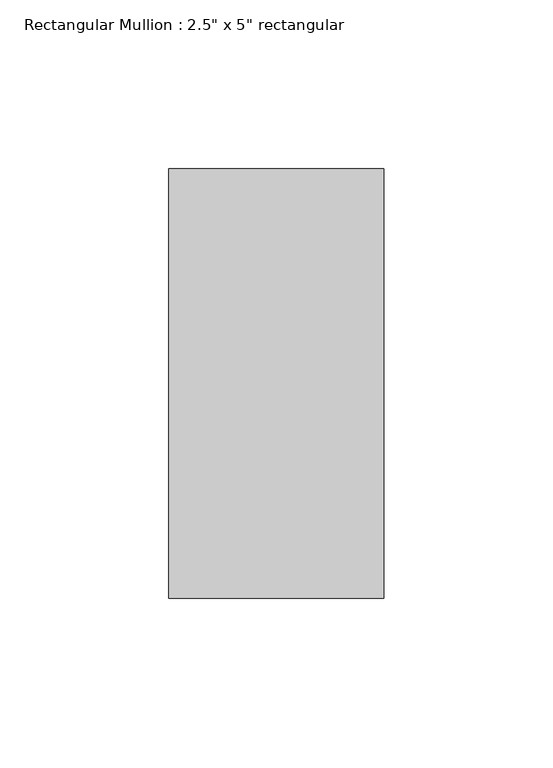
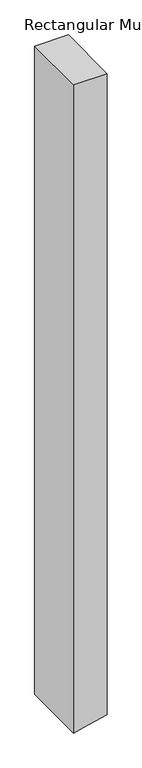
"""IFC4 building model written with IfcOpenShell, lengths in millimetres: member geometry."""

from ifc_helpers import new_model, si_unit, frame, origin, place, context, project, spatial, polyline, outline, extrude, source, transform, mapped, element, save


def member_6e977b61(model_context):
    return source(origin(), model_context, "Body", "SweptSolid", [
        extrude(outline(polyline([(0.0, 31.75), (0.0, -31.75), (-1292.1786364, -31.75), (-1288.1515294, -14.208296), (-1277.6007315, 31.75), (0.0, 31.75)])), frame((0.0, -63.5, 0.0), z_axis=(0.0, 1.0, 0.0), x_axis=(0.0, 0.0, 1.0)), (0.0, 0.0, 1.0), 127.0),
    ])


if __name__ == "__main__":
    model = new_model("IFC4")
    model_context = context("Model", 3, world=origin())
    ifc_project = project(units=[si_unit("LENGTHUNIT", "METRE", prefix="MILLI")], contexts=[model_context])
    site = spatial("IfcSite", under=ifc_project)
    building = spatial("IfcBuilding", under=site)
    placement = place(None, origin())
    member_shape = member_6e977b61(model_context)
    element("IfcMember", 1, ObjectType="Rectangular Mullion : 2.5\" x 5\" rectangular", at=placement, inside=building, context=model_context, shape_type="MappedRepresentation", body=[
        mapped(member_shape, transform((0.0, 0.0, 0.0), x_axis=(1.0, 0.0, 0.0), y_axis=(0.0, 1.0, 0.0), z_axis=(0.0, 0.0, 1.0))),
    ])
    save(model, "model.ifc")
